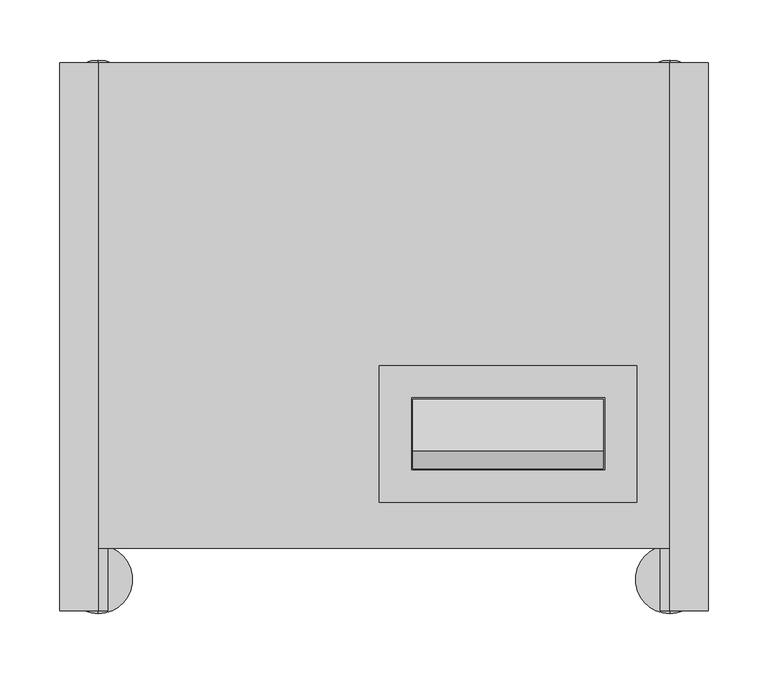
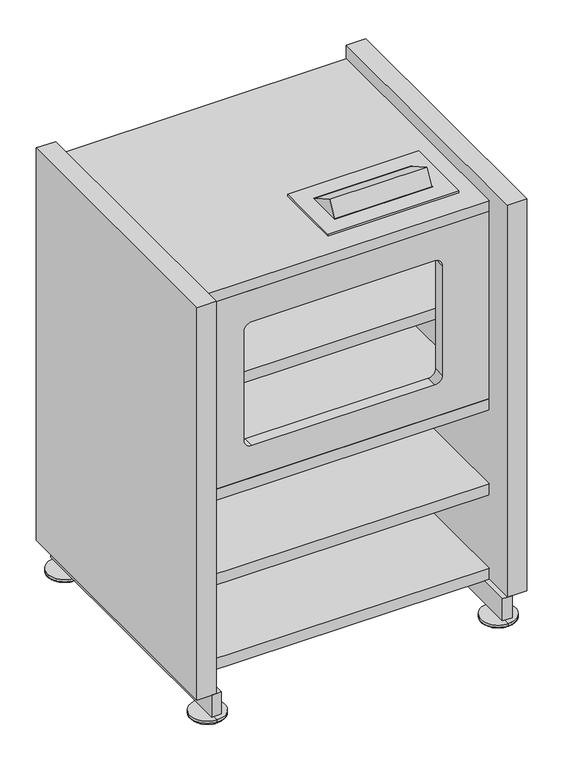
"""IFC4 building model written with IfcOpenShell, lengths in millimetres: furniture geometry."""

from ifc_helpers import new_model, si_unit, point, frame, frame_2d, origin, place, context, project, spatial, polyline, circle_curve, ellipse_curve, trimmed, segment, composite_curve, outline, extrude, source, transform, mapped, element, save
from ifc_brep_helpers import plane_surface, cylinder_surface, revolved_surface, advanced_brep


def furniture_c00837d0(model_context):
    return source(origin(), model_context, "Body", "SolidModel", [
        extrude(outline(polyline([(509.0000086, -405.0), (32.0, -405.0), (32.0, -21.9999994), (509.0000086, -21.9999994), (509.0000086, -405.0)])), frame((0.0, 0.0, 55.2999948), z_axis=(0.0, 0.0, 1.0), x_axis=(1.0, 0.0, 0.0)), (0.0, 0.0, 1.0), 19.0000031),
        extrude(outline(polyline([(509.0000086, -405.0), (32.0, -405.0), (32.0, -21.9999994), (509.0000086, -21.9999994), (509.0000086, -405.0)])), frame((0.0, 0.0, 201.8002913), z_axis=(0.0, 0.0, 1.0), x_axis=(1.0, 0.0, 0.0)), (0.0, 0.0, 1.0), 19.0000031),
        extrude(outline(polyline([(509.0000086, -404.9999886), (32.0, -404.9999886), (32.0, 0.0), (509.0000086, 0.0), (509.0000086, -404.9999886)])), frame((0.0, 0.0, 348.8000032), z_axis=(0.0, 0.0, 1.0), x_axis=(1.0, 0.0, 0.0)), (0.0, 0.0, 1.0), 19.0000031),
        extrude(outline(polyline([(509.0000086, -385.0000102), (32.0, -385.0000102), (32.0, 0.0), (509.0000086, 0.0), (509.0000086, -385.0000102)])), frame((0.0, 0.0, 520.4690669), z_axis=(0.0, 0.0, 1.0), x_axis=(1.0, 0.0, 0.0)), (0.0, 0.0, 1.0), 19.0000031),
        extrude(outline(polyline([(692.600021, 508.9999995), (692.600021, 31.9999999), (367.8000063, 31.9999999), (367.8000063, 508.9999995), (692.600021, 508.9999995)]), holes=[composite_curve([segment(polyline([(435.6460041, 107.6499971), (625.5387699, 107.6499971)]), True, "CONTINUOUS"), segment(trimmed(circle_curve(frame_2d((625.5387699, 120.1112379)), 12.4612408), [point((625.5387699, 107.6499971))], [point((638.0000107, 120.1112379))], True, "CARTESIAN"), True, "CONTINUOUS"), segment(polyline([(638.0000107, 120.1112379), (638.0000107, 420.2040087)]), True, "CONTINUOUS"), segment(trimmed(circle_curve(frame_2d((625.5540107, 420.2040087)), 12.446), [point((638.0000107, 420.2040087))], [point((625.5540107, 432.6500087))], True, "CARTESIAN"), True, "CONTINUOUS"), segment(polyline([(625.5540107, 432.6500087), (435.6460041, 432.6500087)]), True, "CONTINUOUS"), segment(trimmed(circle_curve(frame_2d((435.6460041, 420.2040087)), 12.446), [point((435.6460041, 432.6500087))], [point((423.2000041, 420.2040087))], True, "CARTESIAN"), True, "CONTINUOUS"), segment(polyline([(423.2000041, 420.2040087), (423.2000041, 120.0959971)]), True, "CONTINUOUS"), segment(trimmed(circle_curve(frame_2d((435.6460041, 120.0959971)), 12.446), [point((423.2000041, 120.0959971))], [point((435.6460041, 107.6499971))], True, "CARTESIAN"), True, "CONTINUOUS")], self_intersect=False)]), frame((0.0, -404.9999886, 0.0), z_axis=(0.0, 1.0, 0.0), x_axis=(0.0, 0.0, 1.0)), (0.0, 0.0, 1.0), 19.0000031),
        extrude(outline(polyline([(481.6499974, -252.6000067), (481.6499974, -366.6000069), (266.6500031, -366.6000069), (266.6500031, -252.6000067), (481.6499974, -252.6000067)]), holes=[polyline([(454.6500103, -279.5999938), (293.6500083, -279.5999938), (293.6500083, -339.5999834), (454.6500103, -339.5999834), (454.6500103, -279.5999938)])]), frame((0.0, 0.0, 711.6299931), z_axis=(0.0, 0.0, 1.0), x_axis=(1.0, 0.0, 0.0)), (0.0, 0.0, 1.0), 3.1749516),
        extrude(outline(polyline([(509.0000086, -405.0), (32.0, -405.0), (32.0, 0.0), (509.0000086, 0.0), (509.0000086, -405.0)])), frame((0.0, 0.0, 692.6299901), z_axis=(0.0, 0.0, 1.0), x_axis=(1.0, 0.0, 0.0)), (0.0, 0.0, 1.0), 19.0000031),
        advanced_brep(
        [(509.0000086, -430.9887933, 0.0), (509.0000086, -443.6887926, 0.0), (509.0000086, -418.2887941, 0.0), (509.0000086, -459.11791, 6.1716477), (509.0000086, -402.8596766, 6.1716477), (509.0000086, -459.563791, 6.8302288), (509.0000086, -402.4137956, 6.8302288), (509.0000086, -459.563791, 11.1759996), (509.0000086, -402.4137956, 11.1759996), (509.0000086, -434.9638936, 11.1759996), (509.0000086, -427.013693, 11.1759996), (509.0000086, -434.9638936, 17.2000005), (509.0000086, -427.013693, 17.2000005), (509.0000086, -430.9887933, 17.2000005)],
        [
            (0, 1),
            (1, 2, circle_curve(frame((509.0000086, -430.9887933, 0.0), z_axis=(0.0, 0.0, -1.0), x_axis=(0.0, -1.0, 0.0)), 12.6999992)),
            (2, 0),
            (2, 1, circle_curve(frame((509.0000086, -430.9887933, 0.0), z_axis=(0.0, 0.0, -1.0), x_axis=(0.0, -1.0, 0.0)), 12.6999992)),
            (1, 3),
            (3, 4, circle_curve(frame((509.0000086, -430.9887933, 6.1716477), z_axis=(0.0, 0.0, -1.0), x_axis=(0.0, -1.0, 0.0)), 28.1291167)),
            (4, 2),
            (4, 3, circle_curve(frame((509.0000086, -430.9887933, 6.1716477), z_axis=(0.0, 0.0, -1.0), x_axis=(0.0, -1.0, 0.0)), 28.1291167)),
            (3, 5, circle_curve(frame((509.0000086, -458.8544775, 6.8302288), z_axis=(-1.0, 0.0, 0.0), x_axis=(0.0, -1.0, 0.0)), 0.7093135)),
            (5, 6, circle_curve(frame((509.0000086, -430.9887933, 6.8302288), z_axis=(0.0, 0.0, -1.0), x_axis=(0.0, -1.0, 0.0)), 28.5749977)),
            (6, 4, circle_curve(frame((509.0000086, -403.1231091, 6.8302288), z_axis=(-1.0, 0.0, 0.0), x_axis=(0.0, 1.0, 0.0)), 0.7093135)),
            (6, 5, circle_curve(frame((509.0000086, -430.9887933, 6.8302288), z_axis=(0.0, 0.0, -1.0), x_axis=(0.0, -1.0, 0.0)), 28.5749977)),
            (5, 7),
            (7, 8, circle_curve(frame((509.0000086, -430.9887933, 11.1759996), z_axis=(0.0, 0.0, -1.0), x_axis=(0.0, -1.0, 0.0)), 28.5749977)),
            (8, 6),
            (8, 7, circle_curve(frame((509.0000086, -430.9887933, 11.1759996), z_axis=(0.0, 0.0, -1.0), x_axis=(0.0, -1.0, 0.0)), 28.5749977)),
            (7, 9),
            (9, 10, circle_curve(frame((509.0000086, -430.9887933, 11.1759996), z_axis=(0.0, 0.0, -1.0), x_axis=(0.0, -1.0, 0.0)), 3.9751003)),
            (10, 8),
            (10, 9, circle_curve(frame((509.0000086, -430.9887933, 11.1759996), z_axis=(0.0, 0.0, -1.0), x_axis=(0.0, -1.0, 0.0)), 3.9751003)),
            (9, 11),
            (11, 12, circle_curve(frame((509.0000086, -430.9887933, 17.2000005), z_axis=(0.0, 0.0, -1.0), x_axis=(0.0, -1.0, 0.0)), 3.9751003)),
            (12, 10),
            (12, 11, circle_curve(frame((509.0000086, -430.9887933, 17.2000005), z_axis=(0.0, 0.0, -1.0), x_axis=(0.0, -1.0, 0.0)), 3.9751003)),
            (11, 13),
            (13, 12),
        ],
        [
            plane_surface(frame((509.0000086, -430.9887933, 0.0), z_axis=(0.0, 0.0, -1.0), x_axis=(0.0, -1.0, 0.0))),
            revolved_surface(polyline([(509.0000086, -459.11791, 6.1716477), (509.0000086, -443.6887926, 0.0)]), (509.0000086, -430.9887933, 17.2000005), (0.0, 0.0, -1.0)),
            revolved_surface(trimmed(ellipse_curve(frame((509.0000086, -458.8544775, 6.8302288), z_axis=(1.0, 0.0, 0.0), x_axis=(0.0, -1.0, 0.0)), 0.7093135, 0.7093135), [point((509.0000086, -459.563791, 6.8302288))], [point((509.0000086, -459.11791, 6.1716477))], True, "CARTESIAN"), (509.0000086, -430.9887933, 17.2000005), (0.0, 0.0, -1.0)),
            cylinder_surface(frame((509.0000086, -430.9887933, 17.2000005), z_axis=(0.0, 0.0, -1.0), x_axis=(0.0, -1.0, 0.0)), 28.5749977),
            plane_surface(frame((509.0000086, -430.9887933, 11.1759996), z_axis=(0.0, 0.0, 1.0), x_axis=(0.0, -1.0, 0.0))),
            cylinder_surface(frame((509.0000086, -430.9887933, 17.2000005), z_axis=(0.0, 0.0, -1.0), x_axis=(0.0, -1.0, 0.0)), 3.9751003),
            plane_surface(frame((509.0000086, -430.9887933, 17.2000005), z_axis=(0.0, 0.0, 1.0), x_axis=(0.0, -1.0, 0.0))),
        ],
        [
            (0, [[1, 2, 3]]),
            (0, [[-3, 4, -1]]),
            (1, [[-2, 5, 6, 7]]),
            (1, [[-4, -7, 8, -5]]),
            (2, [[-6, 9, 10, 11]]),
            (2, [[-8, -11, 12, -9]]),
            (3, [[-10, 13, 14, 15]]),
            (3, [[-12, -15, 16, -13]]),
            (4, [[-14, 17, 18, 19]]),
            (4, [[-16, -19, 20, -17]]),
            (5, [[-18, 21, 22, 23]]),
            (5, [[-20, -23, 24, -21]]),
            (6, [[-22, 25, 26]]),
            (6, [[-24, -26, -25]]),
        ],
    ),
        advanced_brep(
        [(509.0000086, -26.0112007, 0.0), (509.0000086, -38.7112, 0.0), (509.0000086, -13.3112015, 0.0), (509.0000086, -54.1403174, 6.1716477), (509.0000086, 2.1179159, 6.1716477), (509.0000086, -54.5861985, 6.8302288), (509.0000086, 2.563797, 6.8302288), (509.0000086, -54.5861985, 11.1759996), (509.0000086, 2.563797, 11.1759996), (509.0000086, -29.986301, 11.1759996), (509.0000086, -22.0361004, 11.1759996), (509.0000086, -29.986301, 17.2000005), (509.0000086, -22.0361004, 17.2000005), (509.0000086, -26.0112007, 17.2000005)],
        [
            (0, 1),
            (1, 2, circle_curve(frame((509.0000086, -26.0112007, 0.0), z_axis=(0.0, 0.0, -1.0), x_axis=(0.0, -1.0, 0.0)), 12.6999992)),
            (2, 0),
            (2, 1, circle_curve(frame((509.0000086, -26.0112007, 0.0), z_axis=(0.0, 0.0, -1.0), x_axis=(0.0, -1.0, 0.0)), 12.6999992)),
            (1, 3),
            (3, 4, circle_curve(frame((509.0000086, -26.0112007, 6.1716477), z_axis=(0.0, 0.0, -1.0), x_axis=(0.0, -1.0, 0.0)), 28.1291167)),
            (4, 2),
            (4, 3, circle_curve(frame((509.0000086, -26.0112007, 6.1716477), z_axis=(0.0, 0.0, -1.0), x_axis=(0.0, -1.0, 0.0)), 28.1291167)),
            (3, 5, circle_curve(frame((509.0000086, -53.876885, 6.8302288), z_axis=(-1.0, 0.0, 0.0), x_axis=(0.0, -1.0, 0.0)), 0.7093135)),
            (5, 6, circle_curve(frame((509.0000086, -26.0112007, 6.8302288), z_axis=(0.0, 0.0, -1.0), x_axis=(0.0, -1.0, 0.0)), 28.5749977)),
            (6, 4, circle_curve(frame((509.0000086, 1.8544835, 6.8302288), z_axis=(-1.0, 0.0, 0.0), x_axis=(0.0, 1.0, 0.0)), 0.7093135)),
            (6, 5, circle_curve(frame((509.0000086, -26.0112007, 6.8302288), z_axis=(0.0, 0.0, -1.0), x_axis=(0.0, -1.0, 0.0)), 28.5749977)),
            (5, 7),
            (7, 8, circle_curve(frame((509.0000086, -26.0112007, 11.1759996), z_axis=(0.0, 0.0, -1.0), x_axis=(0.0, -1.0, 0.0)), 28.5749977)),
            (8, 6),
            (8, 7, circle_curve(frame((509.0000086, -26.0112007, 11.1759996), z_axis=(0.0, 0.0, -1.0), x_axis=(0.0, -1.0, 0.0)), 28.5749977)),
            (7, 9),
            (9, 10, circle_curve(frame((509.0000086, -26.0112007, 11.1759996), z_axis=(0.0, 0.0, -1.0), x_axis=(0.0, -1.0, 0.0)), 3.9751003)),
            (10, 8),
            (10, 9, circle_curve(frame((509.0000086, -26.0112007, 11.1759996), z_axis=(0.0, 0.0, -1.0), x_axis=(0.0, -1.0, 0.0)), 3.9751003)),
            (9, 11),
            (11, 12, circle_curve(frame((509.0000086, -26.0112007, 17.2000005), z_axis=(0.0, 0.0, -1.0), x_axis=(0.0, -1.0, 0.0)), 3.9751003)),
            (12, 10),
            (12, 11, circle_curve(frame((509.0000086, -26.0112007, 17.2000005), z_axis=(0.0, 0.0, -1.0), x_axis=(0.0, -1.0, 0.0)), 3.9751003)),
            (11, 13),
            (13, 12),
        ],
        [
            plane_surface(frame((509.0000086, -26.0112007, 0.0), z_axis=(0.0, 0.0, -1.0), x_axis=(0.0, -1.0, 0.0))),
            revolved_surface(polyline([(509.0000086, -54.1403174, 6.1716477), (509.0000086, -38.7112, 0.0)]), (509.0000086, -26.0112007, 17.2000005), (0.0, 0.0, -1.0)),
            revolved_surface(trimmed(ellipse_curve(frame((509.0000086, -53.876885, 6.8302288), z_axis=(1.0, 0.0, 0.0), x_axis=(0.0, -1.0, 0.0)), 0.7093135, 0.7093135), [point((509.0000086, -54.5861985, 6.8302288))], [point((509.0000086, -54.1403174, 6.1716477))], True, "CARTESIAN"), (509.0000086, -26.0112007, 17.2000005), (0.0, 0.0, -1.0)),
            cylinder_surface(frame((509.0000086, -26.0112007, 17.2000005), z_axis=(0.0, 0.0, -1.0), x_axis=(0.0, -1.0, 0.0)), 28.5749977),
            plane_surface(frame((509.0000086, -26.0112007, 11.1759996), z_axis=(0.0, 0.0, 1.0), x_axis=(0.0, -1.0, 0.0))),
            cylinder_surface(frame((509.0000086, -26.0112007, 17.2000005), z_axis=(0.0, 0.0, -1.0), x_axis=(0.0, -1.0, 0.0)), 3.9751003),
            plane_surface(frame((509.0000086, -26.0112007, 17.2000005), z_axis=(0.0, 0.0, 1.0), x_axis=(0.0, -1.0, 0.0))),
        ],
        [
            (0, [[1, 2, 3]]),
            (0, [[-3, 4, -1]]),
            (1, [[-2, 5, 6, 7]]),
            (1, [[-4, -7, 8, -5]]),
            (2, [[-6, 9, 10, 11]]),
            (2, [[-8, -11, 12, -9]]),
            (3, [[-10, 13, 14, 15]]),
            (3, [[-12, -15, 16, -13]]),
            (4, [[-14, 17, 18, 19]]),
            (4, [[-16, -19, 20, -17]]),
            (5, [[-18, 21, 22, 23]]),
            (5, [[-20, -23, 24, -21]]),
            (6, [[-22, 25, 26]]),
            (6, [[-24, -26, -25]]),
        ],
    ),
        advanced_brep(
        [(31.9999999, -418.2887941, 0.0), (31.9999999, -443.6887926, 0.0), (31.9999999, -430.9887933, 0.0), (31.9999999, -402.8596766, 6.1716477), (31.9999999, -459.11791, 6.1716477), (31.9999999, -402.4137956, 6.8302288), (31.9999999, -459.563791, 6.8302288), (31.9999999, -402.4137956, 11.1759996), (31.9999999, -459.563791, 11.1759996), (31.9999999, -427.013693, 11.1759996), (31.9999999, -434.9638936, 11.1759996), (31.9999999, -427.013693, 17.2000005), (31.9999999, -434.9638936, 17.2000005), (31.9999999, -430.9887933, 17.2000005)],
        [
            (0, 1, circle_curve(frame((31.9999999, -430.9887933, 0.0), z_axis=(0.0, 0.0, -1.0), x_axis=(0.0, -1.0, 0.0)), 12.6999992)),
            (1, 2),
            (2, 0),
            (1, 0, circle_curve(frame((31.9999999, -430.9887933, 0.0), z_axis=(0.0, 0.0, -1.0), x_axis=(0.0, -1.0, 0.0)), 12.6999992)),
            (3, 4, circle_curve(frame((31.9999999, -430.9887933, 6.1716477), z_axis=(0.0, 0.0, -1.0), x_axis=(0.0, -1.0, 0.0)), 28.1291167)),
            (4, 1),
            (0, 3),
            (4, 3, circle_curve(frame((31.9999999, -430.9887933, 6.1716477), z_axis=(0.0, 0.0, -1.0), x_axis=(0.0, -1.0, 0.0)), 28.1291167)),
            (5, 6, circle_curve(frame((31.9999999, -430.9887933, 6.8302288), z_axis=(0.0, 0.0, -1.0), x_axis=(0.0, -1.0, 0.0)), 28.5749977)),
            (6, 4, circle_curve(frame((31.9999999, -458.8544775, 6.8302288), z_axis=(1.0, 0.0, 0.0), x_axis=(0.0, -1.0, 0.0)), 0.7093135)),
            (3, 5, circle_curve(frame((31.9999999, -403.1231091, 6.8302288), z_axis=(1.0, 0.0, 0.0), x_axis=(0.0, 1.0, 0.0)), 0.7093135)),
            (6, 5, circle_curve(frame((31.9999999, -430.9887933, 6.8302288), z_axis=(0.0, 0.0, -1.0), x_axis=(0.0, -1.0, 0.0)), 28.5749977)),
            (7, 8, circle_curve(frame((31.9999999, -430.9887933, 11.1759996), z_axis=(0.0, 0.0, -1.0), x_axis=(0.0, -1.0, 0.0)), 28.5749977)),
            (8, 6),
            (5, 7),
            (8, 7, circle_curve(frame((31.9999999, -430.9887933, 11.1759996), z_axis=(0.0, 0.0, -1.0), x_axis=(0.0, -1.0, 0.0)), 28.5749977)),
            (9, 10, circle_curve(frame((31.9999999, -430.9887933, 11.1759996), z_axis=(0.0, 0.0, -1.0), x_axis=(0.0, -1.0, 0.0)), 3.9751003)),
            (10, 8),
            (7, 9),
            (10, 9, circle_curve(frame((31.9999999, -430.9887933, 11.1759996), z_axis=(0.0, 0.0, -1.0), x_axis=(0.0, -1.0, 0.0)), 3.9751003)),
            (11, 12, circle_curve(frame((31.9999999, -430.9887933, 17.2000005), z_axis=(0.0, 0.0, -1.0), x_axis=(0.0, -1.0, 0.0)), 3.9751003)),
            (12, 10),
            (9, 11),
            (12, 11, circle_curve(frame((31.9999999, -430.9887933, 17.2000005), z_axis=(0.0, 0.0, -1.0), x_axis=(0.0, -1.0, 0.0)), 3.9751003)),
            (13, 12),
            (11, 13),
        ],
        [
            plane_surface(frame((31.9999999, -430.9887933, 0.0), z_axis=(0.0, 0.0, -1.0), x_axis=(0.0, -1.0, 0.0))),
            revolved_surface(polyline([(31.9999999, -443.6887926, 0.0), (31.9999999, -459.11791, 6.1716477)]), (31.9999999, -430.9887933, 17.2000005), (0.0, 0.0, 1.0)),
            revolved_surface(trimmed(ellipse_curve(frame((31.9999999, -458.8544775, 6.8302288), z_axis=(-1.0, 0.0, 0.0), x_axis=(0.0, -1.0, 0.0)), 0.7093135, 0.7093135), [point((31.9999999, -459.11791, 6.1716477))], [point((31.9999999, -459.563791, 6.8302288))], True, "CARTESIAN"), (31.9999999, -430.9887933, 17.2000005), (0.0, 0.0, 1.0)),
            cylinder_surface(frame((31.9999999, -430.9887933, 17.2000005), z_axis=(0.0, 0.0, 1.0), x_axis=(0.0, -1.0, 0.0)), 28.5749977),
            plane_surface(frame((31.9999999, -430.9887933, 11.1759996), z_axis=(0.0, 0.0, 1.0), x_axis=(0.0, -1.0, 0.0))),
            cylinder_surface(frame((31.9999999, -430.9887933, 17.2000005), z_axis=(0.0, 0.0, 1.0), x_axis=(0.0, -1.0, 0.0)), 3.9751003),
            plane_surface(frame((31.9999999, -430.9887933, 17.2000005), z_axis=(0.0, 0.0, 1.0), x_axis=(0.0, -1.0, 0.0))),
        ],
        [
            (0, [[1, 2, 3]]),
            (0, [[4, -3, -2]]),
            (1, [[5, 6, -1, 7]]),
            (1, [[8, -7, -4, -6]]),
            (2, [[9, 10, -5, 11]]),
            (2, [[12, -11, -8, -10]]),
            (3, [[13, 14, -9, 15]]),
            (3, [[16, -15, -12, -14]]),
            (4, [[17, 18, -13, 19]]),
            (4, [[20, -19, -16, -18]]),
            (5, [[21, 22, -17, 23]]),
            (5, [[24, -23, -20, -22]]),
            (6, [[25, -21, 26]]),
            (6, [[-26, -24, -25]]),
        ],
    ),
        advanced_brep(
        [(31.9999999, -13.3112015, 0.0), (31.9999999, -38.7112, 0.0), (31.9999999, -26.0112007, 0.0), (31.9999999, 2.1179159, 6.1716477), (31.9999999, -54.1403174, 6.1716477), (31.9999999, 2.563797, 6.8302288), (31.9999999, -54.5861985, 6.8302288), (31.9999999, 2.563797, 11.1759996), (31.9999999, -54.5861985, 11.1759996), (31.9999999, -22.0361004, 11.1759996), (31.9999999, -29.986301, 11.1759996), (31.9999999, -22.0361004, 17.2000005), (31.9999999, -29.986301, 17.2000005), (31.9999999, -26.0112007, 17.2000005)],
        [
            (0, 1, circle_curve(frame((31.9999999, -26.0112007, 0.0), z_axis=(0.0, 0.0, -1.0), x_axis=(0.0, -1.0, 0.0)), 12.6999992)),
            (1, 2),
            (2, 0),
            (1, 0, circle_curve(frame((31.9999999, -26.0112007, 0.0), z_axis=(0.0, 0.0, -1.0), x_axis=(0.0, -1.0, 0.0)), 12.6999992)),
            (3, 4, circle_curve(frame((31.9999999, -26.0112007, 6.1716477), z_axis=(0.0, 0.0, -1.0), x_axis=(0.0, -1.0, 0.0)), 28.1291167)),
            (4, 1),
            (0, 3),
            (4, 3, circle_curve(frame((31.9999999, -26.0112007, 6.1716477), z_axis=(0.0, 0.0, -1.0), x_axis=(0.0, -1.0, 0.0)), 28.1291167)),
            (5, 6, circle_curve(frame((31.9999999, -26.0112007, 6.8302288), z_axis=(0.0, 0.0, -1.0), x_axis=(0.0, -1.0, 0.0)), 28.5749977)),
            (6, 4, circle_curve(frame((31.9999999, -53.876885, 6.8302288), z_axis=(1.0, 0.0, 0.0), x_axis=(0.0, -1.0, 0.0)), 0.7093135)),
            (3, 5, circle_curve(frame((31.9999999, 1.8544835, 6.8302288), z_axis=(1.0, 0.0, 0.0), x_axis=(0.0, 1.0, 0.0)), 0.7093135)),
            (6, 5, circle_curve(frame((31.9999999, -26.0112007, 6.8302288), z_axis=(0.0, 0.0, -1.0), x_axis=(0.0, -1.0, 0.0)), 28.5749977)),
            (7, 8, circle_curve(frame((31.9999999, -26.0112007, 11.1759996), z_axis=(0.0, 0.0, -1.0), x_axis=(0.0, -1.0, 0.0)), 28.5749977)),
            (8, 6),
            (5, 7),
            (8, 7, circle_curve(frame((31.9999999, -26.0112007, 11.1759996), z_axis=(0.0, 0.0, -1.0), x_axis=(0.0, -1.0, 0.0)), 28.5749977)),
            (9, 10, circle_curve(frame((31.9999999, -26.0112007, 11.1759996), z_axis=(0.0, 0.0, -1.0), x_axis=(0.0, -1.0, 0.0)), 3.9751003)),
            (10, 8),
            (7, 9),
            (10, 9, circle_curve(frame((31.9999999, -26.0112007, 11.1759996), z_axis=(0.0, 0.0, -1.0), x_axis=(0.0, -1.0, 0.0)), 3.9751003)),
            (11, 12, circle_curve(frame((31.9999999, -26.0112007, 17.2000005), z_axis=(0.0, 0.0, -1.0), x_axis=(0.0, -1.0, 0.0)), 3.9751003)),
            (12, 10),
            (9, 11),
            (12, 11, circle_curve(frame((31.9999999, -26.0112007, 17.2000005), z_axis=(0.0, 0.0, -1.0), x_axis=(0.0, -1.0, 0.0)), 3.9751003)),
            (13, 12),
            (11, 13),
        ],
        [
            plane_surface(frame((31.9999999, -26.0112007, 0.0), z_axis=(0.0, 0.0, -1.0), x_axis=(0.0, -1.0, 0.0))),
            revolved_surface(polyline([(31.9999999, -38.7112, 0.0), (31.9999999, -54.1403174, 6.1716477)]), (31.9999999, -26.0112007, 17.2000005), (0.0, 0.0, 1.0)),
            revolved_surface(trimmed(ellipse_curve(frame((31.9999999, -53.876885, 6.8302288), z_axis=(-1.0, 0.0, 0.0), x_axis=(0.0, -1.0, 0.0)), 0.7093135, 0.7093135), [point((31.9999999, -54.1403174, 6.1716477))], [point((31.9999999, -54.5861985, 6.8302288))], True, "CARTESIAN"), (31.9999999, -26.0112007, 17.2000005), (0.0, 0.0, 1.0)),
            cylinder_surface(frame((31.9999999, -26.0112007, 17.2000005), z_axis=(0.0, 0.0, 1.0), x_axis=(0.0, -1.0, 0.0)), 28.5749977),
            plane_surface(frame((31.9999999, -26.0112007, 11.1759996), z_axis=(0.0, 0.0, 1.0), x_axis=(0.0, -1.0, 0.0))),
            cylinder_surface(frame((31.9999999, -26.0112007, 17.2000005), z_axis=(0.0, 0.0, 1.0), x_axis=(0.0, -1.0, 0.0)), 3.9751003),
            plane_surface(frame((31.9999999, -26.0112007, 17.2000005), z_axis=(0.0, 0.0, 1.0), x_axis=(0.0, -1.0, 0.0))),
        ],
        [
            (0, [[1, 2, 3]]),
            (0, [[4, -3, -2]]),
            (1, [[5, 6, -1, 7]]),
            (1, [[8, -7, -4, -6]]),
            (2, [[9, 10, -5, 11]]),
            (2, [[12, -11, -8, -10]]),
            (3, [[13, 14, -9, 15]]),
            (3, [[16, -15, -12, -14]]),
            (4, [[17, 18, -13, 19]]),
            (4, [[20, -19, -16, -18]]),
            (5, [[21, 22, -17, 23]]),
            (5, [[24, -23, -20, -22]]),
            (6, [[25, -21, 26]]),
            (6, [[-26, -24, -25]]),
        ],
    ),
        extrude(outline(polyline([(-280.6000055, 711.6299931), (-338.6000081, 711.6299931), (-338.6000081, 714.8049447), (-324.0999847, 739.9196908), (-280.6000055, 714.8049447), (-280.6000055, 711.6299931)])), frame((294.6500018, 0.0, 0.0), z_axis=(1.0, 0.0, 0.0), x_axis=(0.0, 1.0, 0.0)), (0.0, 0.0, 1.0), 158.9999969),
        extrude(outline(polyline([(-111.4155013, 52.1249979), (-111.4155013, 29.9000009), (-114.5904983, 29.9000009), (-114.5904983, 55.2999994), (-89.0, 55.2999994), (-89.0, 52.1249979), (-111.4155013, 52.1249979)])), frame((39.9375014, 0.0, 0.0), z_axis=(1.0, 0.0, 0.0), x_axis=(0.0, 1.0, 0.0)), (0.0, 0.0, 1.0), 461.1250057),
        extrude(outline(polyline([(-345.5845109, 52.1249979), (-368.0000123, 52.1249979), (-368.0000123, 55.2999994), (-342.409514, 55.2999994), (-342.409514, 29.9000009), (-345.5845109, 29.9000009), (-345.5845109, 52.1249979)])), frame((39.9375014, 0.0, 0.0), z_axis=(1.0, 0.0, 0.0), x_axis=(0.0, 1.0, 0.0)), (0.0, 0.0, 1.0), 461.1250057),
        extrude(outline(polyline([(516.9375078, 0.0), (516.9375078, -457.0000122), (501.0625071, -457.0000122), (501.0625071, 0.0), (516.9375078, 0.0)])), frame((0.0, 0.0, 17.2000005), z_axis=(0.0, 0.0, 1.0), x_axis=(1.0, 0.0, 0.0)), (0.0, 0.0, 1.0), 38.0999989),
        extrude(outline(polyline([(24.0625006, -457.0000122), (24.0625006, 0.0), (39.9375014, 0.0), (39.9375014, -457.0000122), (24.0625006, -457.0000122)])), frame((0.0, 0.0, 17.2000005), z_axis=(0.0, 0.0, 1.0), x_axis=(1.0, 0.0, 0.0)), (0.0, 0.0, 1.0), 38.0999989),
        extrude(outline(polyline([(541.0000085, 0.0), (541.0000085, -457.0000122), (509.0000086, -457.0000122), (509.0000086, 0.0), (541.0000085, 0.0)])), frame((0.0, 0.0, 55.2999994), z_axis=(0.0, 0.0, 1.0), x_axis=(1.0, 0.0, 0.0)), (0.0, 0.0, 1.0), 680.0300006),
        extrude(outline(polyline([(0.0, -457.0000122), (0.0, 0.0), (31.9999999, 0.0), (31.9999999, -457.0000122), (0.0, -457.0000122)])), frame((0.0, 0.0, 55.2999994), z_axis=(0.0, 0.0, 1.0), x_axis=(1.0, 0.0, 0.0)), (0.0, 0.0, 1.0), 680.0300006),
    ])


if __name__ == "__main__":
    model = new_model("IFC4")
    model_context = context("Model", 3, world=origin())
    ifc_project = project(units=[si_unit("LENGTHUNIT", "METRE", prefix="MILLI")], contexts=[model_context])
    site = spatial("IfcSite", under=ifc_project)
    building = spatial("IfcBuilding", under=site)
    placement = place(None, origin())
    furniture_shape = furniture_c00837d0(model_context)
    element("IfcFurniture", 1, at=placement, inside=building, context=model_context, shape_type="MappedRepresentation", body=[
        mapped(furniture_shape, transform((0.0, 0.0, 0.0), x_axis=(1.0, 0.0, 0.0), y_axis=(0.0, 1.0, 0.0), z_axis=(0.0, 0.0, 1.0))),
    ])
    save(model, "model.ifc")
